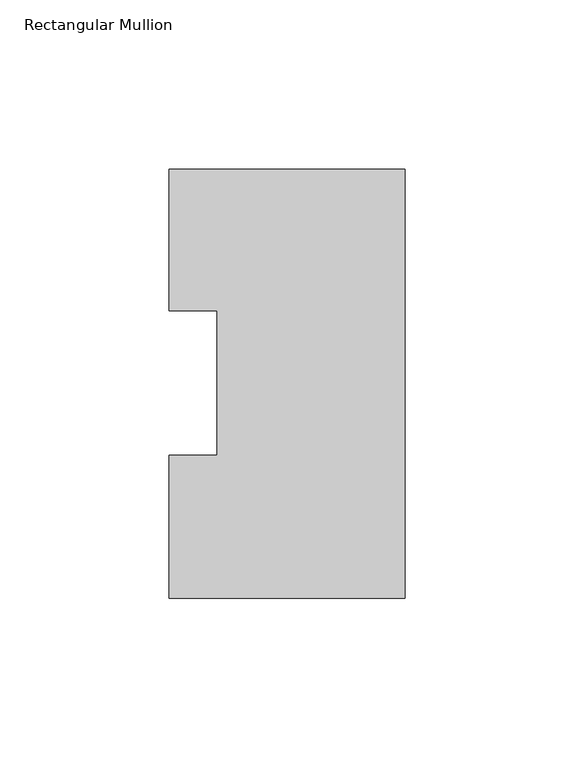
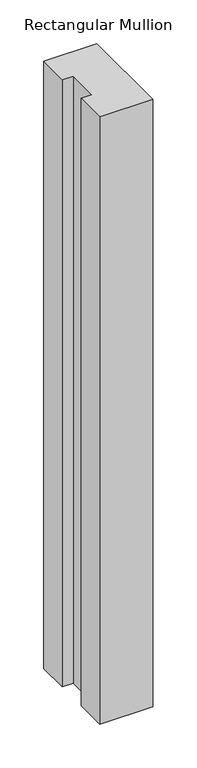
"""IFC4 building model written with IfcOpenShell, lengths in millimetres: member geometry, Rectangular Mullion."""

import ifcopenshell
import ifcopenshell.guid

model = None  # the IFC model being written
_history = None  # IfcOwnerHistory: only IFC2X3 demands one
_inside = {}  # id of a spatial element -> (the spatial element, [elements in it])
_under = {}  # id of a project, library or spatial element -> (it, [spatial elements below it])
_declared = {}  # id of a project -> (the project, [libraries it declares])
_typed = {}  # id of a type object -> (the type object, [elements of that type])
_made_of = {}  # id of a material, layer set ... -> (it, [elements and type objects made of it])


def new_model(schema):
    """Start an empty IFC model of exactly this schema.

    Asked for "IFC4X3", IfcOpenShell would pick the latest addendum, in which some entities
    have other attributes; the version numbers below select the first issue.
    IFC2X3 requires an IfcOwnerHistory on every rooted entity: one is made here for all.
    """
    global model, _history
    if schema == "IFC4X3":
        model = ifcopenshell.file(schema_version=(4, 3, 0, 0))
    else:
        model = ifcopenshell.file(schema=schema)
    _inside.clear()
    _under.clear()
    _declared.clear()
    _typed.clear()
    _made_of.clear()
    _history = None
    if model.schema == "IFC2X3":
        org = make("IfcOrganization", Name="unknown")
        user = make(
            "IfcPersonAndOrganization",
            ThePerson=make("IfcPerson", FamilyName="unknown"),
            TheOrganization=org,
        )
        app = make(
            "IfcApplication",
            ApplicationDeveloper=org,
            Version="unknown",
            ApplicationFullName="unknown",
            ApplicationIdentifier="unknown",
        )
        _history = make(
            "IfcOwnerHistory",
            OwningUser=user,
            OwningApplication=app,
            ChangeAction="ADDED",
            CreationDate=0,
        )
    return model


def make(cls, **values):
    """One entity of the class cls with the attributes given. An attribute that is None is left unset."""
    return model.create_entity(
        cls, **{name: value for name, value in values.items() if value is not None}
    )


def rooted(cls, **values):
    """An entity with a GlobalId (a new one), such as an element, a storey or a relation."""
    return make(cls, GlobalId=ifcopenshell.guid.new(), OwnerHistory=_history, **values)


def si_unit(unit_type, name, prefix=None):
    """IfcSIUnit, for example si_unit("LENGTHUNIT", "METRE", prefix="MILLI")."""
    return make("IfcSIUnit", UnitType=unit_type, Prefix=prefix, Name=name)


def assignment(units):
    """IfcUnitAssignment: the units of a project."""
    return None if units is None else make("IfcUnitAssignment", Units=units)


def point(xyz):
    """IfcCartesianPoint."""
    return None if xyz is None else make("IfcCartesianPoint", Coordinates=xyz)


def direction(xyz):
    """IfcDirection."""
    return None if xyz is None else make("IfcDirection", DirectionRatios=xyz)


def frame(location, z_axis=None, x_axis=None):
    """IfcAxis2Placement3D, a coordinate frame: its origin and axes. An axis left out is left unset."""
    return make(
        "IfcAxis2Placement3D",
        Location=point(location),
        Axis=direction(z_axis),
        RefDirection=direction(x_axis),
    )


def origin():
    """The frame at (0, 0, 0) with its axes left unset."""
    return frame((0.0, 0.0, 0.0))


def place(relative_to, where):
    """IfcLocalPlacement: puts the frame where relative to a parent placement (None: the world)."""
    return make(
        "IfcLocalPlacement", PlacementRelTo=relative_to, RelativePlacement=where
    )


def context(
    kind, dimensions, precision=None, world=None, true_north=None, identifier=None
):
    """IfcGeometricRepresentationContext, for example the 3D "Model" context."""
    return make(
        "IfcGeometricRepresentationContext",
        ContextIdentifier=identifier,
        ContextType=kind,
        CoordinateSpaceDimension=dimensions,
        Precision=precision,
        WorldCoordinateSystem=world,
        TrueNorth=true_north,
    )


def project(units=None, contexts=None):
    """IfcProject with its units and contexts."""
    return rooted(
        "IfcProject",
        Name="project",
        RepresentationContexts=contexts,
        UnitsInContext=assignment(units),
    )


def spatial(cls, under=None, at=None, **own):
    """A site, building, storey or space (cls), placed at a placement, below another one or the project."""
    s = rooted(cls, ObjectPlacement=at, **own)
    if under is not None:
        _under.setdefault(under.id(), (under, []))[1].append(s)
    return s


def polyline(points):
    """IfcPolyline through the points."""
    return make("IfcPolyline", Points=[point(p) for p in points])


def outline(outer, holes=None, kind="AREA"):
    """IfcArbitraryClosedProfileDef: a profile drawn as a closed curve; with holes, ...WithVoids."""
    if holes is None:
        return make("IfcArbitraryClosedProfileDef", ProfileType=kind, OuterCurve=outer)
    return make(
        "IfcArbitraryProfileDefWithVoids",
        ProfileType=kind,
        OuterCurve=outer,
        InnerCurves=holes,
    )


def extrude(swept, where, along, depth):
    """IfcExtrudedAreaSolid: the profile swept, set in the frame where, extruded along a direction by depth."""
    return make(
        "IfcExtrudedAreaSolid",
        SweptArea=swept,
        Position=where,
        ExtrudedDirection=direction(along),
        Depth=depth,
    )


def shape(context_of_items, identifier, shape_type, items):
    """IfcShapeRepresentation: the items that make up one representation, for example the "Body"."""
    return make(
        "IfcShapeRepresentation",
        ContextOfItems=context_of_items,
        RepresentationIdentifier=identifier,
        RepresentationType=shape_type,
        Items=items,
    )


def source(mapping_origin, context_of_items, identifier, shape_type, items):
    """IfcRepresentationMap: a shape defined once, which mapped items show again and again."""
    return make(
        "IfcRepresentationMap",
        MappingOrigin=mapping_origin,
        MappedRepresentation=shape(context_of_items, identifier, shape_type, items),
    )


def transform(
    local_origin,
    x_axis=None,
    y_axis=None,
    z_axis=None,
    scale=None,
    scale2=None,
    scale3=None,
    uniform=True,
):
    """IfcCartesianTransformationOperator3D, or its non-uniform kind. x_axis, y_axis, z_axis: its Axis1, 2, 3."""
    if uniform:
        return make(
            "IfcCartesianTransformationOperator3D",
            Axis1=direction(x_axis),
            Axis2=direction(y_axis),
            LocalOrigin=point(local_origin),
            Scale=scale,
            Axis3=direction(z_axis),
        )
    return make(
        "IfcCartesianTransformationOperator3DnonUniform",
        Axis1=direction(x_axis),
        Axis2=direction(y_axis),
        LocalOrigin=point(local_origin),
        Scale=scale,
        Axis3=direction(z_axis),
        Scale2=scale2,
        Scale3=scale3,
    )


def mapped(mapping_source, mapping_target):
    """IfcMappedItem: shows the shape of a source again, moved by a transform."""
    return make(
        "IfcMappedItem", MappingSource=mapping_source, MappingTarget=mapping_target
    )


def made_of(thing, what):
    """Note that an element or type object is made of a material, layer set ...; save() writes the relation."""
    if what is not None:
        _made_of.setdefault(what.id(), (what, []))[1].append(thing)
    return thing


def element(
    cls,
    number,
    at=None,
    inside=None,
    cuts=None,
    type_object=None,
    material=None,
    context=None,
    identifier="Body",
    shape_type=None,
    held_by="IfcProductDefinitionShape",
    body=None,
    shapes=None,
    **own,
):
    """One element of the class cls, such as IfcWall. Its Tag is "e" and its number.

    at: its placement. inside: the storey or other place that contains it. cuts: it is an
    opening in that element (IfcRelVoidsElement). A single representation is given by context,
    identifier, shape_type and body (its items); several are given by shapes. held_by: the class
    of the entity that holds the representations. save() writes the other relations.
    """
    e = rooted(cls, Tag="e%d" % number, ObjectPlacement=at, **own)
    if body is not None:
        shapes = [shape(context, identifier, shape_type, body)]
    if shapes is not None:
        e.Representation = make(held_by, Representations=shapes)
    if inside is not None:
        _inside.setdefault(inside.id(), (inside, []))[1].append(e)
    if cuts is not None:
        rooted(
            "IfcRelVoidsElement", RelatingBuildingElement=cuts, RelatedOpeningElement=e
        )
    if type_object is not None:
        _typed.setdefault(type_object.id(), (type_object, []))[1].append(e)
    return made_of(e, material)


def aggregate(whole, parts):
    """IfcRelAggregates: a whole, such as a stair, and the parts it consists of."""
    return rooted("IfcRelAggregates", RelatingObject=whole, RelatedObjects=parts)


def save(model, path):
    """Write the relations noted so far, then the file.

    IfcRelAggregates (storeys below a building ...), IfcRelContainedInSpatialStructure (elements
    in a storey), IfcRelDefinesByType, IfcRelAssociatesMaterial and IfcRelDeclares: one each for
    every whole, place, type object, material and project.
    """
    for whole, parts in _under.values():
        aggregate(whole, parts)
    for where, things in _inside.values():
        rooted(
            "IfcRelContainedInSpatialStructure",
            RelatedElements=things,
            RelatingStructure=where,
        )
    for kind, things in _typed.values():
        rooted("IfcRelDefinesByType", RelatedObjects=things, RelatingType=kind)
    for what, things in _made_of.values():
        rooted("IfcRelAssociatesMaterial", RelatedObjects=things, RelatingMaterial=what)
    for by, libraries in _declared.values():
        rooted("IfcRelDeclares", RelatingContext=by, RelatedDefinitions=libraries)
    model.write(path)


def rectangular_mullion_7724d6f8(model_context):
    return source(origin(), model_context, "Body", "SweptSolid", [
        extrude(outline(polyline([(-69.85, 133.6365438), (0.0, 133.6365438), (0.0, 6.6365438), (-69.85, 6.6365438), (-69.85, 48.9275438), (-55.5625, 48.9275438), (-55.5625, 91.7773438), (-69.85, 91.7773438), (-69.85, 133.6365438)])), frame((0.0, 0.0, -844.55), z_axis=(0.0, 0.0, 1.0), x_axis=(1.0, 0.0, 0.0)), (0.0, 0.0, 1.0), 844.55),
    ])


if __name__ == "__main__":
    model = new_model("IFC4")
    model_context = context("Model", 3, world=origin())
    ifc_project = project(units=[si_unit("LENGTHUNIT", "METRE", prefix="MILLI")], contexts=[model_context])
    site = spatial("IfcSite", under=ifc_project)
    building = spatial("IfcBuilding", under=site)
    placement = place(None, origin())
    rectangular_mullion_shape = rectangular_mullion_7724d6f8(model_context)
    element("IfcMember", 1, ObjectType="Rectangular Mullion", at=placement, inside=building, context=model_context, shape_type="MappedRepresentation", body=[
        mapped(rectangular_mullion_shape, transform((0.0, 0.0, 0.0), x_axis=(1.0, 0.0, 0.0), y_axis=(0.0, 1.0, 0.0), z_axis=(0.0, 0.0, 1.0))),
    ])
    save(model, "model.ifc")
